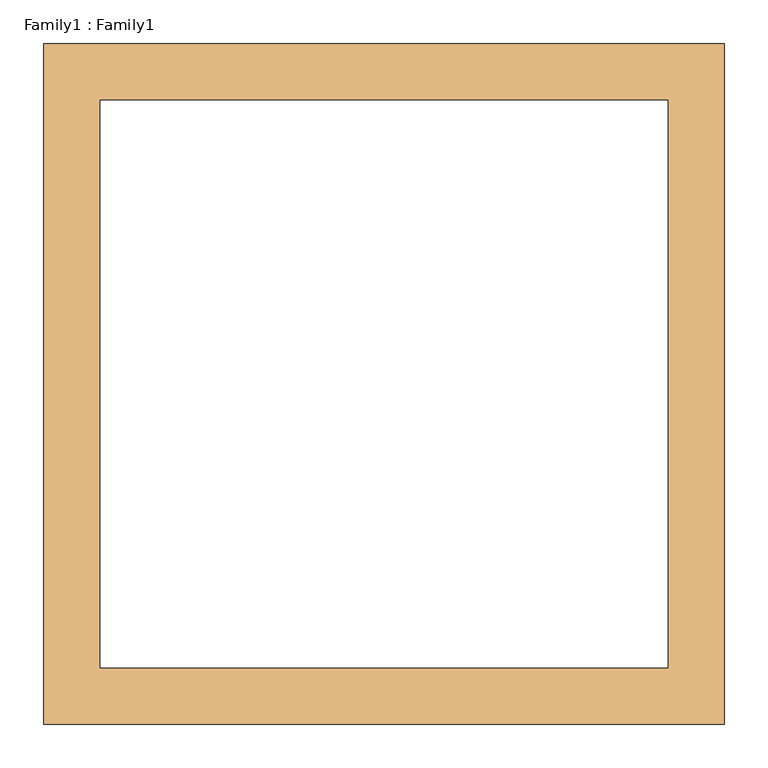
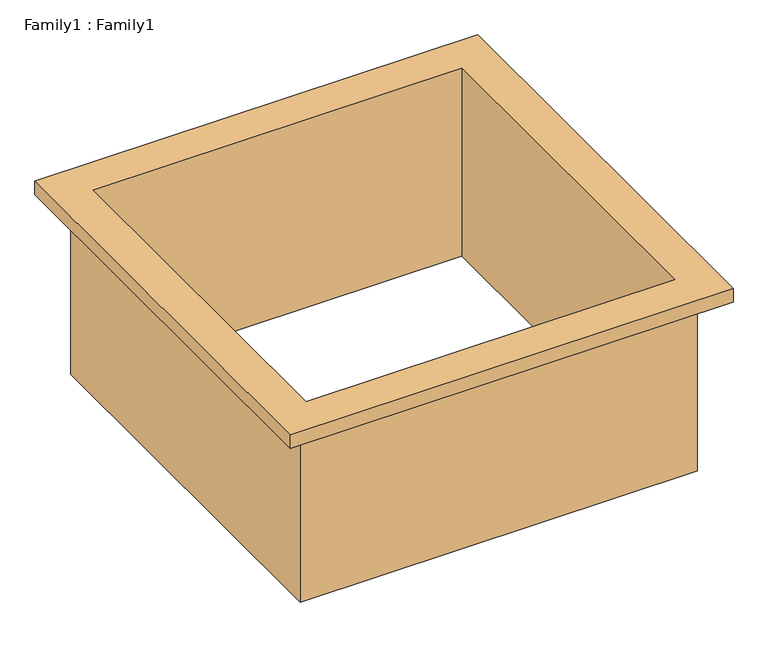
"""IFC4 building model written with IfcOpenShell, lengths in millimetres: door geometry, Family1 : Family1."""

from ifc_helpers import new_model, si_unit, origin, place, context, project, spatial, faceted_brep, source, transform, mapped, element, save


def family1_family1_646acd7e(model_context):
    return source(origin(), model_context, "Body", "Brep", [
        faceted_brep([(350.0, -350.0, 0.0), (350.0, -350.0, -325.0), (350.0, 350.0, -325.0), (350.0, 350.0, 0.0), (390.0, -390.0, 25.0), (390.0, -390.0, 0.0), (390.0, 390.0, 0.0), (390.0, 390.0, 25.0), (325.0, -325.0, -325.0), (325.0, -325.0, 25.0), (325.0, 325.0, 25.0), (325.0, 325.0, -325.0), (-350.0, 350.0, -325.0), (-350.0, 350.0, 0.0), (-390.0, 390.0, 0.0), (-390.0, 390.0, 25.0), (-325.0, 325.0, 25.0), (-325.0, 325.0, -325.0), (-350.0, -350.0, -325.0), (-350.0, -350.0, 0.0), (-390.0, -390.0, 0.0), (-390.0, -390.0, 25.0), (-325.0, -325.0, 25.0), (-325.0, -325.0, -325.0)], [[[0, 1, 2, 3]], [[4, 5, 6, 7]], [[8, 9, 10, 11]], [[3, 2, 12, 13]], [[7, 6, 14, 15]], [[11, 10, 16, 17]], [[13, 12, 18, 19]], [[15, 14, 20, 21]], [[17, 16, 22, 23]], [[1, 18, 12, 2], [11, 17, 23, 8]], [[19, 18, 1, 0]], [[5, 20, 14, 6], [3, 13, 19, 0]], [[21, 20, 5, 4]], [[7, 15, 21, 4], [9, 22, 16, 10]], [[23, 22, 9, 8]]]),
    ])


if __name__ == "__main__":
    model = new_model("IFC4")
    model_context = context("Model", 3, world=origin())
    ifc_project = project(units=[si_unit("LENGTHUNIT", "METRE", prefix="MILLI")], contexts=[model_context])
    site = spatial("IfcSite", under=ifc_project)
    building = spatial("IfcBuilding", under=site)
    placement = place(None, origin())
    family1_family1_shape = family1_family1_646acd7e(model_context)
    element("IfcDoor", 1, ObjectType="Family1 : Family1", at=placement, inside=building, context=model_context, shape_type="MappedRepresentation", body=[
        mapped(family1_family1_shape, transform((0.0, 0.0, 0.0), x_axis=(1.0, 0.0, 0.0), y_axis=(0.0, 1.0, 0.0), z_axis=(0.0, 0.0, 1.0))),
    ])
    save(model, "model.ifc")
